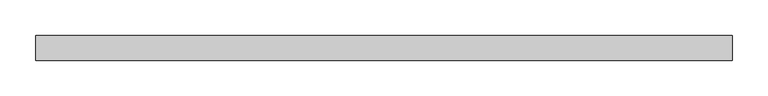
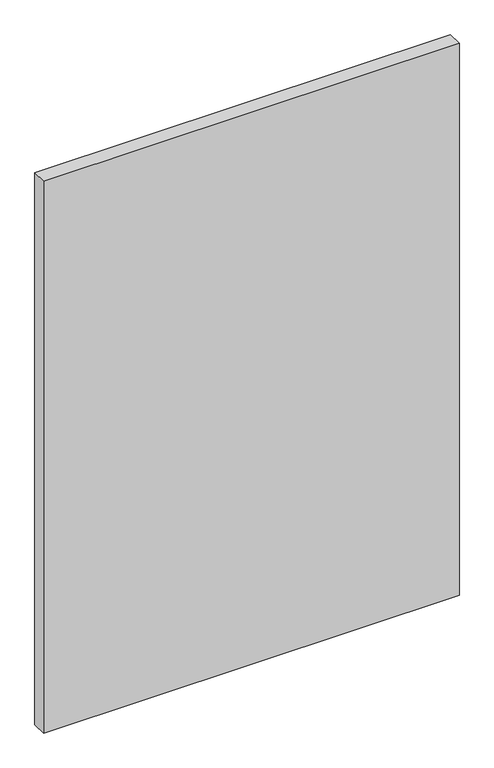
"""IFC4 building model written with IfcOpenShell, lengths in millimetres: plate geometry."""

from ifc_helpers import new_model, si_unit, origin, origin_with_axes, place, context, project, spatial, polyline, outline, extrude, source, transform, mapped, element, save


def plate_cff19ed5(model_context):
    return source(origin(), model_context, "Body", "SweptSolid", [
        extrude(outline(polyline([(488.4553571, -17.5), (-488.4553571, -17.5), (-488.4553571, 17.5), (488.4553571, 17.5), (488.4553571, -17.5)])), origin_with_axes(), (0.0, 0.0, 1.0), 1370.0),
    ])


if __name__ == "__main__":
    model = new_model("IFC4")
    model_context = context("Model", 3, world=origin())
    ifc_project = project(units=[si_unit("LENGTHUNIT", "METRE", prefix="MILLI")], contexts=[model_context])
    site = spatial("IfcSite", under=ifc_project)
    building = spatial("IfcBuilding", under=site)
    placement = place(None, origin())
    plate_shape = plate_cff19ed5(model_context)
    element("IfcPlate", 1, at=placement, inside=building, context=model_context, shape_type="MappedRepresentation", body=[
        mapped(plate_shape, transform((0.0, 0.0, 0.0), x_axis=(1.0, 0.0, 0.0), y_axis=(0.0, 1.0, 0.0), z_axis=(0.0, 0.0, 1.0))),
    ])
    save(model, "model.ifc")
